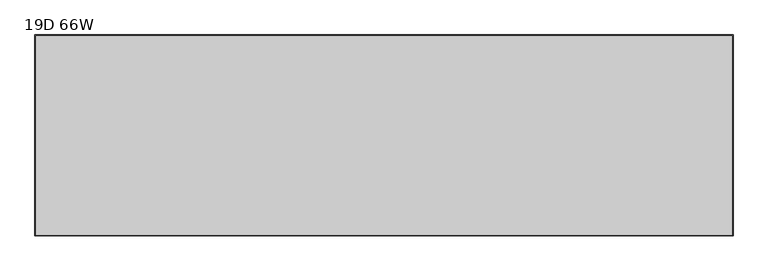
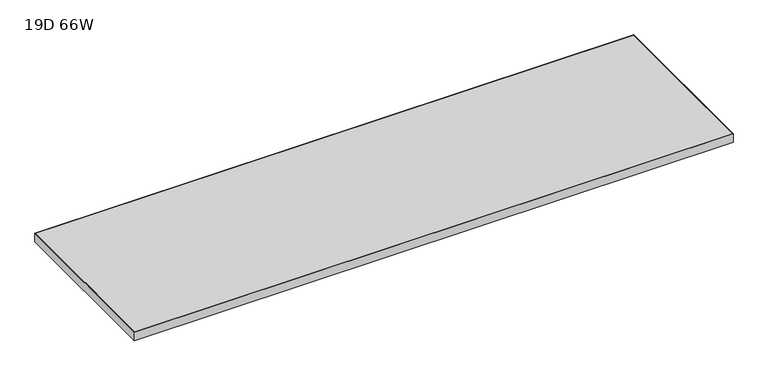
"""IFC4 building model written with IfcOpenShell, lengths in millimetres: furniture geometry, 19D 66W."""

from ifc_helpers import new_model, si_unit, frame, origin, place, context, project, spatial, polyline, outline, extrude, source, transform, mapped, element, save


def furniture_19d_66w_6bdba0ea(model_context):
    return source(origin(), model_context, "Body", "SweptSolid", [
        extrude(outline(polyline([(1674.8125, -1.5875), (1674.8125, -481.0125), (1.5875, -481.0125), (1.5875, -1.5875), (1674.8125, -1.5875)])), frame((0.0, 0.0, 889.0), z_axis=(0.0, 0.0, 1.0), x_axis=(1.0, 0.0, 0.0)), (0.0, 0.0, 1.0), 25.4),
        extrude(outline(polyline([(0.0, 0.0), (1676.4, 0.0), (1676.4, -482.6), (0.0, -482.6), (0.0, 0.0)]), holes=[polyline([(1.5875, -481.0125), (1674.8125, -481.0125), (1674.8125, -1.5875), (1.5875, -1.5875), (1.5875, -481.0125)])]), frame((0.0, 0.0, 889.0), z_axis=(0.0, 0.0, 1.0), x_axis=(1.0, 0.0, 0.0)), (0.0, 0.0, 1.0), 25.4),
    ])


if __name__ == "__main__":
    model = new_model("IFC4")
    model_context = context("Model", 3, world=origin())
    ifc_project = project(units=[si_unit("LENGTHUNIT", "METRE", prefix="MILLI")], contexts=[model_context])
    site = spatial("IfcSite", under=ifc_project)
    building = spatial("IfcBuilding", under=site)
    placement = place(None, origin())
    furniture_19d_66w_shape = furniture_19d_66w_6bdba0ea(model_context)
    element("IfcFurniture", 1, ObjectType="19D 66W", at=placement, inside=building, context=model_context, shape_type="MappedRepresentation", body=[
        mapped(furniture_19d_66w_shape, transform((0.0, 0.0, 0.0), x_axis=(1.0, 0.0, 0.0), y_axis=(0.0, 1.0, 0.0), z_axis=(0.0, 0.0, 1.0))),
    ])
    save(model, "model.ifc")
